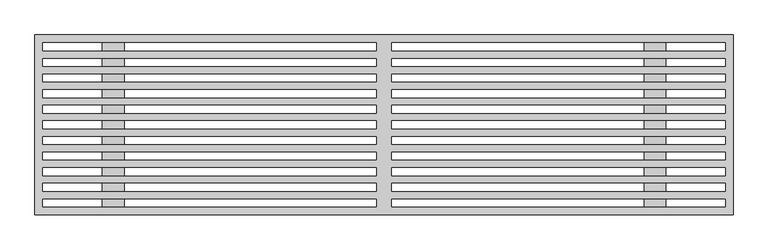
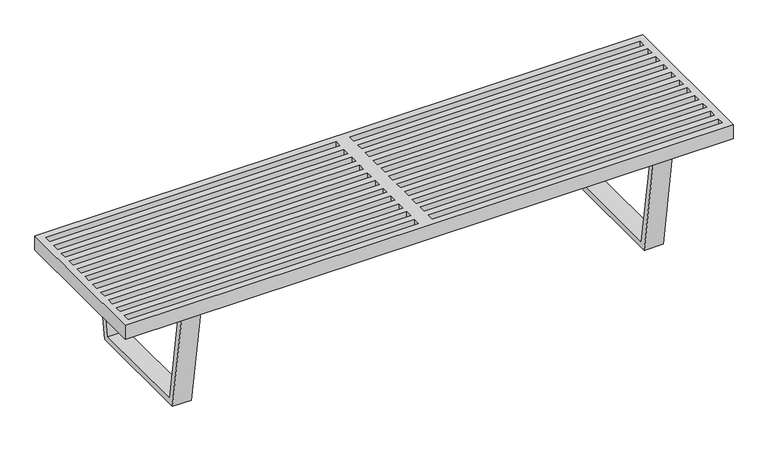
"""IFC4 building model written with IfcOpenShell, lengths in millimetres: furniture geometry."""

from ifc_helpers import new_model, si_unit, frame, origin, place, context, project, spatial, polyline, circle_curve, outline, extrude, source, transform, mapped, element, save
from ifc_brep_helpers import plane_surface, cylinder_surface, revolved_surface, advanced_brep


def furniture_f1015c76(model_context):
    return source(origin(), model_context, "Body", "SolidModel", [
        advanced_brep(
        [(709.6125, 127.2655571, 8.89), (699.5925629, 127.2655571, 8.89), (719.6324371, 127.2655571, 8.89), (719.6324371, 127.2655571, 0.0), (699.5925629, 127.2655571, 0.0), (709.6125, 127.2655571, 0.0), (721.4890461, 127.2655571, 2.998938), (697.7359539, 127.2655571, 2.998938), (721.4890461, 127.2655571, 5.5735617), (697.7359539, 127.2655571, 5.5735617), (719.6324371, 127.2655571, 6.9850002), (699.5925629, 127.2655571, 6.9850002)],
        [
            (0, 1),
            (1, 2, circle_curve(frame((709.6125, 127.2655571, 8.89), z_axis=(0.0, 0.0, 1.0), x_axis=(-1.0, 0.0, 0.0)), 10.0199371)),
            (2, 0),
            (2, 1, circle_curve(frame((709.6125, 127.2655571, 8.89), z_axis=(0.0, 0.0, 1.0), x_axis=(-1.0, 0.0, 0.0)), 10.0199371)),
            (3, 4, circle_curve(frame((709.6125, 127.2655571, 0.0), z_axis=(0.0, 0.0, -1.0), x_axis=(-1.0, 0.0, 0.0)), 10.0199371)),
            (4, 5),
            (5, 3),
            (4, 3, circle_curve(frame((709.6125, 127.2655571, 0.0), z_axis=(0.0, 0.0, -1.0), x_axis=(-1.0, 0.0, 0.0)), 10.0199371)),
            (6, 7, circle_curve(frame((709.6125, 127.2655571, 2.998938), z_axis=(0.0, 0.0, -1.0), x_axis=(-1.0, 0.0, 0.0)), 11.8765461)),
            (7, 4),
            (3, 6),
            (7, 6, circle_curve(frame((709.6125, 127.2655571, 2.998938), z_axis=(0.0, 0.0, -1.0), x_axis=(-1.0, 0.0, 0.0)), 11.8765461)),
            (8, 9, circle_curve(frame((709.6125, 127.2655571, 5.5735617), z_axis=(0.0, 0.0, -1.0), x_axis=(-1.0, 0.0, 0.0)), 11.8765461)),
            (9, 7),
            (6, 8),
            (9, 8, circle_curve(frame((709.6125, 127.2655571, 5.5735617), z_axis=(0.0, 0.0, -1.0), x_axis=(-1.0, 0.0, 0.0)), 11.8765461)),
            (10, 11, circle_curve(frame((709.6125, 127.2655571, 6.9850002), z_axis=(0.0, 0.0, -1.0), x_axis=(-1.0, 0.0, 0.0)), 10.0199371)),
            (11, 9),
            (8, 10),
            (11, 10, circle_curve(frame((709.6125, 127.2655571, 6.9850002), z_axis=(0.0, 0.0, -1.0), x_axis=(-1.0, 0.0, 0.0)), 10.0199371)),
            (1, 11),
            (10, 2),
        ],
        [
            plane_surface(frame((709.6125, 127.2655571, 8.89), z_axis=(0.0, 0.0, 1.0), x_axis=(-1.0, 0.0, 0.0))),
            plane_surface(frame((709.6125, 127.2655571, 0.0), z_axis=(0.0, 0.0, -1.0), x_axis=(-1.0, 0.0, 0.0))),
            revolved_surface(polyline([(699.5925629, 127.2655571, 0.0), (697.7359539, 127.2655571, 2.998938)]), (709.6125, 127.2655571, 8.8900188), (0.0, 0.0, 1.0)),
            cylinder_surface(frame((709.6125, 127.2655571, 8.8900188), z_axis=(0.0, 0.0, 1.0), x_axis=(-1.0, 0.0, 0.0)), 11.8765461),
            revolved_surface(polyline([(697.7359539, 127.2655571, 5.5735617), (699.5925629, 127.2655571, 6.9850002)]), (709.6125, 127.2655571, 8.8900188), (0.0, 0.0, 1.0)),
            cylinder_surface(frame((709.6125, 127.2655571, 8.8900188), z_axis=(0.0, 0.0, 1.0), x_axis=(-1.0, 0.0, 0.0)), 10.0199371),
        ],
        [
            (0, [[1, 2, 3]]),
            (0, [[-3, 4, -1]]),
            (1, [[5, 6, 7]]),
            (1, [[8, -7, -6]]),
            (2, [[9, 10, -5, 11]]),
            (2, [[12, -11, -8, -10]]),
            (3, [[13, 14, -9, 15]]),
            (3, [[16, -15, -12, -14]]),
            (4, [[17, 18, -13, 19]]),
            (4, [[20, -19, -16, -18]]),
            (5, [[-2, 21, -17, 22]]),
            (5, [[-4, -22, -20, -21]]),
        ],
    ),
        advanced_brep(
        [(709.6125, -126.734455, 8.89), (699.5925629, -126.734455, 8.89), (719.6324371, -126.734455, 8.89), (719.6324371, -126.734455, 0.0), (699.5925629, -126.734455, 0.0), (709.6125, -126.734455, 0.0), (721.4890461, -126.734455, 2.998938), (697.7359539, -126.734455, 2.998938), (721.4890461, -126.734455, 5.5735617), (697.7359539, -126.734455, 5.5735617), (719.6324371, -126.734455, 6.9850002), (699.5925629, -126.734455, 6.9850002)],
        [
            (0, 1),
            (1, 2, circle_curve(frame((709.6125, -126.734455, 8.89), z_axis=(0.0, 0.0, 1.0), x_axis=(-1.0, 0.0, 0.0)), 10.0199371)),
            (2, 0),
            (2, 1, circle_curve(frame((709.6125, -126.734455, 8.89), z_axis=(0.0, 0.0, 1.0), x_axis=(-1.0, 0.0, 0.0)), 10.0199371)),
            (3, 4, circle_curve(frame((709.6125, -126.734455, 0.0), z_axis=(0.0, 0.0, -1.0), x_axis=(-1.0, 0.0, 0.0)), 10.0199371)),
            (4, 5),
            (5, 3),
            (4, 3, circle_curve(frame((709.6125, -126.734455, 0.0), z_axis=(0.0, 0.0, -1.0), x_axis=(-1.0, 0.0, 0.0)), 10.0199371)),
            (6, 7, circle_curve(frame((709.6125, -126.734455, 2.998938), z_axis=(0.0, 0.0, -1.0), x_axis=(-1.0, 0.0, 0.0)), 11.8765461)),
            (7, 4),
            (3, 6),
            (7, 6, circle_curve(frame((709.6125, -126.734455, 2.998938), z_axis=(0.0, 0.0, -1.0), x_axis=(-1.0, 0.0, 0.0)), 11.8765461)),
            (8, 9, circle_curve(frame((709.6125, -126.734455, 5.5735617), z_axis=(0.0, 0.0, -1.0), x_axis=(-1.0, 0.0, 0.0)), 11.8765461)),
            (9, 7),
            (6, 8),
            (9, 8, circle_curve(frame((709.6125, -126.734455, 5.5735617), z_axis=(0.0, 0.0, -1.0), x_axis=(-1.0, 0.0, 0.0)), 11.8765461)),
            (10, 11, circle_curve(frame((709.6125, -126.734455, 6.9850002), z_axis=(0.0, 0.0, -1.0), x_axis=(-1.0, 0.0, 0.0)), 10.0199371)),
            (11, 9),
            (8, 10),
            (11, 10, circle_curve(frame((709.6125, -126.734455, 6.9850002), z_axis=(0.0, 0.0, -1.0), x_axis=(-1.0, 0.0, 0.0)), 10.0199371)),
            (1, 11),
            (10, 2),
        ],
        [
            plane_surface(frame((709.6125, -126.734455, 8.89), z_axis=(0.0, 0.0, 1.0), x_axis=(-1.0, 0.0, 0.0))),
            plane_surface(frame((709.6125, -126.734455, 0.0), z_axis=(0.0, 0.0, -1.0), x_axis=(-1.0, 0.0, 0.0))),
            revolved_surface(polyline([(699.5925629, -126.734455, 0.0), (697.7359539, -126.734455, 2.998938)]), (709.6125, -126.734455, 8.8900188), (0.0, 0.0, 1.0)),
            cylinder_surface(frame((709.6125, -126.734455, 8.8900188), z_axis=(0.0, 0.0, 1.0), x_axis=(-1.0, 0.0, 0.0)), 11.8765461),
            revolved_surface(polyline([(697.7359539, -126.734455, 5.5735617), (699.5925629, -126.734455, 6.9850002)]), (709.6125, -126.734455, 8.8900188), (0.0, 0.0, 1.0)),
            cylinder_surface(frame((709.6125, -126.734455, 8.8900188), z_axis=(0.0, 0.0, 1.0), x_axis=(-1.0, 0.0, 0.0)), 10.0199371),
        ],
        [
            (0, [[1, 2, 3]]),
            (0, [[-3, 4, -1]]),
            (1, [[5, 6, 7]]),
            (1, [[8, -7, -6]]),
            (2, [[9, 10, -5, 11]]),
            (2, [[12, -11, -8, -10]]),
            (3, [[13, 14, -9, 15]]),
            (3, [[16, -15, -12, -14]]),
            (4, [[17, 18, -13, 19]]),
            (4, [[20, -19, -16, -18]]),
            (5, [[-2, 21, -17, 22]]),
            (5, [[-4, -22, -20, -21]]),
        ],
    ),
        advanced_brep(
        [(709.6125, 127.2655571, 8.89), (699.5925629, 127.2655571, 8.89), (719.6324371, 127.2655571, 8.89), (719.6324371, 127.2655571, 0.0), (699.5925629, 127.2655571, 0.0), (709.6125, 127.2655571, 0.0), (721.4890461, 127.2655571, 2.998938), (697.7359539, 127.2655571, 2.998938), (721.4890461, 127.2655571, 5.5735617), (697.7359539, 127.2655571, 5.5735617), (719.6324371, 127.2655571, 6.9850002), (699.5925629, 127.2655571, 6.9850002)],
        [
            (0, 1),
            (1, 2, circle_curve(frame((709.6125, 127.2655571, 8.89), z_axis=(0.0, 0.0, 1.0), x_axis=(-1.0, 0.0, 0.0)), 10.0199371)),
            (2, 0),
            (2, 1, circle_curve(frame((709.6125, 127.2655571, 8.89), z_axis=(0.0, 0.0, 1.0), x_axis=(-1.0, 0.0, 0.0)), 10.0199371)),
            (3, 4, circle_curve(frame((709.6125, 127.2655571, 0.0), z_axis=(0.0, 0.0, -1.0), x_axis=(-1.0, 0.0, 0.0)), 10.0199371)),
            (4, 5),
            (5, 3),
            (4, 3, circle_curve(frame((709.6125, 127.2655571, 0.0), z_axis=(0.0, 0.0, -1.0), x_axis=(-1.0, 0.0, 0.0)), 10.0199371)),
            (6, 7, circle_curve(frame((709.6125, 127.2655571, 2.998938), z_axis=(0.0, 0.0, -1.0), x_axis=(-1.0, 0.0, 0.0)), 11.8765461)),
            (7, 4),
            (3, 6),
            (7, 6, circle_curve(frame((709.6125, 127.2655571, 2.998938), z_axis=(0.0, 0.0, -1.0), x_axis=(-1.0, 0.0, 0.0)), 11.8765461)),
            (8, 9, circle_curve(frame((709.6125, 127.2655571, 5.5735617), z_axis=(0.0, 0.0, -1.0), x_axis=(-1.0, 0.0, 0.0)), 11.8765461)),
            (9, 7),
            (6, 8),
            (9, 8, circle_curve(frame((709.6125, 127.2655571, 5.5735617), z_axis=(0.0, 0.0, -1.0), x_axis=(-1.0, 0.0, 0.0)), 11.8765461)),
            (10, 11, circle_curve(frame((709.6125, 127.2655571, 6.9850002), z_axis=(0.0, 0.0, -1.0), x_axis=(-1.0, 0.0, 0.0)), 10.0199371)),
            (11, 9),
            (8, 10),
            (11, 10, circle_curve(frame((709.6125, 127.2655571, 6.9850002), z_axis=(0.0, 0.0, -1.0), x_axis=(-1.0, 0.0, 0.0)), 10.0199371)),
            (1, 11),
            (10, 2),
        ],
        [
            plane_surface(frame((709.6125, 127.2655571, 8.89), z_axis=(0.0, 0.0, 1.0), x_axis=(-1.0, 0.0, 0.0))),
            plane_surface(frame((709.6125, 127.2655571, 0.0), z_axis=(0.0, 0.0, -1.0), x_axis=(-1.0, 0.0, 0.0))),
            revolved_surface(polyline([(699.5925629, 127.2655571, 0.0), (697.7359539, 127.2655571, 2.998938)]), (709.6125, 127.2655571, 8.8900188), (0.0, 0.0, 1.0)),
            cylinder_surface(frame((709.6125, 127.2655571, 8.8900188), z_axis=(0.0, 0.0, 1.0), x_axis=(-1.0, 0.0, 0.0)), 11.8765461),
            revolved_surface(polyline([(697.7359539, 127.2655571, 5.5735617), (699.5925629, 127.2655571, 6.9850002)]), (709.6125, 127.2655571, 8.8900188), (0.0, 0.0, 1.0)),
            cylinder_surface(frame((709.6125, 127.2655571, 8.8900188), z_axis=(0.0, 0.0, 1.0), x_axis=(-1.0, 0.0, 0.0)), 10.0199371),
        ],
        [
            (0, [[1, 2, 3]]),
            (0, [[-3, 4, -1]]),
            (1, [[5, 6, 7]]),
            (1, [[8, -7, -6]]),
            (2, [[9, 10, -5, 11]]),
            (2, [[12, -11, -8, -10]]),
            (3, [[13, 14, -9, 15]]),
            (3, [[16, -15, -12, -14]]),
            (4, [[17, 18, -13, 19]]),
            (4, [[20, -19, -16, -18]]),
            (5, [[-2, 21, -17, 22]]),
            (5, [[-4, -22, -20, -21]]),
        ],
    ),
        advanced_brep(
        [(709.6125, -126.734455, 8.89), (699.5925629, -126.734455, 8.89), (719.6324371, -126.734455, 8.89), (719.6324371, -126.734455, 0.0), (699.5925629, -126.734455, 0.0), (709.6125, -126.734455, 0.0), (721.4890461, -126.734455, 2.998938), (697.7359539, -126.734455, 2.998938), (721.4890461, -126.734455, 5.5735617), (697.7359539, -126.734455, 5.5735617), (719.6324371, -126.734455, 6.9850002), (699.5925629, -126.734455, 6.9850002)],
        [
            (0, 1),
            (1, 2, circle_curve(frame((709.6125, -126.734455, 8.89), z_axis=(0.0, 0.0, 1.0), x_axis=(-1.0, 0.0, 0.0)), 10.0199371)),
            (2, 0),
            (2, 1, circle_curve(frame((709.6125, -126.734455, 8.89), z_axis=(0.0, 0.0, 1.0), x_axis=(-1.0, 0.0, 0.0)), 10.0199371)),
            (3, 4, circle_curve(frame((709.6125, -126.734455, 0.0), z_axis=(0.0, 0.0, -1.0), x_axis=(-1.0, 0.0, 0.0)), 10.0199371)),
            (4, 5),
            (5, 3),
            (4, 3, circle_curve(frame((709.6125, -126.734455, 0.0), z_axis=(0.0, 0.0, -1.0), x_axis=(-1.0, 0.0, 0.0)), 10.0199371)),
            (6, 7, circle_curve(frame((709.6125, -126.734455, 2.998938), z_axis=(0.0, 0.0, -1.0), x_axis=(-1.0, 0.0, 0.0)), 11.8765461)),
            (7, 4),
            (3, 6),
            (7, 6, circle_curve(frame((709.6125, -126.734455, 2.998938), z_axis=(0.0, 0.0, -1.0), x_axis=(-1.0, 0.0, 0.0)), 11.8765461)),
            (8, 9, circle_curve(frame((709.6125, -126.734455, 5.5735617), z_axis=(0.0, 0.0, -1.0), x_axis=(-1.0, 0.0, 0.0)), 11.8765461)),
            (9, 7),
            (6, 8),
            (9, 8, circle_curve(frame((709.6125, -126.734455, 5.5735617), z_axis=(0.0, 0.0, -1.0), x_axis=(-1.0, 0.0, 0.0)), 11.8765461)),
            (10, 11, circle_curve(frame((709.6125, -126.734455, 6.9850002), z_axis=(0.0, 0.0, -1.0), x_axis=(-1.0, 0.0, 0.0)), 10.0199371)),
            (11, 9),
            (8, 10),
            (11, 10, circle_curve(frame((709.6125, -126.734455, 6.9850002), z_axis=(0.0, 0.0, -1.0), x_axis=(-1.0, 0.0, 0.0)), 10.0199371)),
            (1, 11),
            (10, 2),
        ],
        [
            plane_surface(frame((709.6125, -126.734455, 8.89), z_axis=(0.0, 0.0, 1.0), x_axis=(-1.0, 0.0, 0.0))),
            plane_surface(frame((709.6125, -126.734455, 0.0), z_axis=(0.0, 0.0, -1.0), x_axis=(-1.0, 0.0, 0.0))),
            revolved_surface(polyline([(699.5925629, -126.734455, 0.0), (697.7359539, -126.734455, 2.998938)]), (709.6125, -126.734455, 8.8900188), (0.0, 0.0, 1.0)),
            cylinder_surface(frame((709.6125, -126.734455, 8.8900188), z_axis=(0.0, 0.0, 1.0), x_axis=(-1.0, 0.0, 0.0)), 11.8765461),
            revolved_surface(polyline([(697.7359539, -126.734455, 5.5735617), (699.5925629, -126.734455, 6.9850002)]), (709.6125, -126.734455, 8.8900188), (0.0, 0.0, 1.0)),
            cylinder_surface(frame((709.6125, -126.734455, 8.8900188), z_axis=(0.0, 0.0, 1.0), x_axis=(-1.0, 0.0, 0.0)), 10.0199371),
        ],
        [
            (0, [[1, 2, 3]]),
            (0, [[-3, 4, -1]]),
            (1, [[5, 6, 7]]),
            (1, [[8, -7, -6]]),
            (2, [[9, 10, -5, 11]]),
            (2, [[12, -11, -8, -10]]),
            (3, [[13, 14, -9, 15]]),
            (3, [[16, -15, -12, -14]]),
            (4, [[17, 18, -13, 19]]),
            (4, [[20, -19, -16, -18]]),
            (5, [[-2, 21, -17, 22]]),
            (5, [[-4, -22, -20, -21]]),
        ],
    ),
        advanced_brep(
        [(-719.6324371, 127.2655571, 8.89), (-699.5925629, 127.2655571, 8.89), (-709.6125, 127.2655571, 8.89), (-709.6125, 127.2655571, 0.0), (-699.5925629, 127.2655571, 0.0), (-719.6324371, 127.2655571, 0.0), (-697.7359539, 127.2655571, 2.998938), (-721.4890461, 127.2655571, 2.998938), (-697.7359539, 127.2655571, 5.5735617), (-721.4890461, 127.2655571, 5.5735617), (-699.5925629, 127.2655571, 6.9850002), (-719.6324371, 127.2655571, 6.9850002)],
        [
            (0, 1, circle_curve(frame((-709.6125, 127.2655571, 8.89), z_axis=(0.0, 0.0, 1.0), x_axis=(1.0, 0.0, 0.0)), 10.0199371)),
            (1, 2),
            (2, 0),
            (1, 0, circle_curve(frame((-709.6125, 127.2655571, 8.89), z_axis=(0.0, 0.0, 1.0), x_axis=(1.0, 0.0, 0.0)), 10.0199371)),
            (3, 4),
            (4, 5, circle_curve(frame((-709.6125, 127.2655571, 0.0), z_axis=(0.0, 0.0, -1.0), x_axis=(1.0, 0.0, 0.0)), 10.0199371)),
            (5, 3),
            (5, 4, circle_curve(frame((-709.6125, 127.2655571, 0.0), z_axis=(0.0, 0.0, -1.0), x_axis=(1.0, 0.0, 0.0)), 10.0199371)),
            (4, 6),
            (6, 7, circle_curve(frame((-709.6125, 127.2655571, 2.998938), z_axis=(0.0, 0.0, -1.0), x_axis=(1.0, 0.0, 0.0)), 11.8765461)),
            (7, 5),
            (7, 6, circle_curve(frame((-709.6125, 127.2655571, 2.998938), z_axis=(0.0, 0.0, -1.0), x_axis=(1.0, 0.0, 0.0)), 11.8765461)),
            (6, 8),
            (8, 9, circle_curve(frame((-709.6125, 127.2655571, 5.5735617), z_axis=(0.0, 0.0, -1.0), x_axis=(1.0, 0.0, 0.0)), 11.8765461)),
            (9, 7),
            (9, 8, circle_curve(frame((-709.6125, 127.2655571, 5.5735617), z_axis=(0.0, 0.0, -1.0), x_axis=(1.0, 0.0, 0.0)), 11.8765461)),
            (8, 10),
            (10, 11, circle_curve(frame((-709.6125, 127.2655571, 6.9850002), z_axis=(0.0, 0.0, -1.0), x_axis=(1.0, 0.0, 0.0)), 10.0199371)),
            (11, 9),
            (11, 10, circle_curve(frame((-709.6125, 127.2655571, 6.9850002), z_axis=(0.0, 0.0, -1.0), x_axis=(1.0, 0.0, 0.0)), 10.0199371)),
            (10, 1),
            (0, 11),
        ],
        [
            plane_surface(frame((-709.6125, 127.2655571, 8.89), z_axis=(0.0, 0.0, 1.0), x_axis=(1.0, 0.0, 0.0))),
            plane_surface(frame((-709.6125, 127.2655571, 0.0), z_axis=(0.0, 0.0, -1.0), x_axis=(1.0, 0.0, 0.0))),
            revolved_surface(polyline([(-697.7359539, 127.2655571, 2.998938), (-699.5925629, 127.2655571, 0.0)]), (-709.6125, 127.2655571, 8.8900188), (0.0, 0.0, -1.0)),
            cylinder_surface(frame((-709.6125, 127.2655571, 8.8900188), z_axis=(0.0, 0.0, -1.0), x_axis=(1.0, 0.0, 0.0)), 11.8765461),
            revolved_surface(polyline([(-699.5925629, 127.2655571, 6.9850002), (-697.7359539, 127.2655571, 5.5735617)]), (-709.6125, 127.2655571, 8.8900188), (0.0, 0.0, -1.0)),
            cylinder_surface(frame((-709.6125, 127.2655571, 8.8900188), z_axis=(0.0, 0.0, -1.0), x_axis=(1.0, 0.0, 0.0)), 10.0199371),
        ],
        [
            (0, [[1, 2, 3]]),
            (0, [[4, -3, -2]]),
            (1, [[5, 6, 7]]),
            (1, [[-7, 8, -5]]),
            (2, [[-6, 9, 10, 11]]),
            (2, [[-8, -11, 12, -9]]),
            (3, [[-10, 13, 14, 15]]),
            (3, [[-12, -15, 16, -13]]),
            (4, [[-14, 17, 18, 19]]),
            (4, [[-16, -19, 20, -17]]),
            (5, [[-18, 21, -1, 22]]),
            (5, [[-20, -22, -4, -21]]),
        ],
    ),
        advanced_brep(
        [(-719.6324371, -126.734455, 8.89), (-699.5925629, -126.734455, 8.89), (-709.6125, -126.734455, 8.89), (-709.6125, -126.734455, 0.0), (-699.5925629, -126.734455, 0.0), (-719.6324371, -126.734455, 0.0), (-697.7359539, -126.734455, 2.998938), (-721.4890461, -126.734455, 2.998938), (-697.7359539, -126.734455, 5.5735617), (-721.4890461, -126.734455, 5.5735617), (-699.5925629, -126.734455, 6.9850002), (-719.6324371, -126.734455, 6.9850002)],
        [
            (0, 1, circle_curve(frame((-709.6125, -126.734455, 8.89), z_axis=(0.0, 0.0, 1.0), x_axis=(1.0, 0.0, 0.0)), 10.0199371)),
            (1, 2),
            (2, 0),
            (1, 0, circle_curve(frame((-709.6125, -126.734455, 8.89), z_axis=(0.0, 0.0, 1.0), x_axis=(1.0, 0.0, 0.0)), 10.0199371)),
            (3, 4),
            (4, 5, circle_curve(frame((-709.6125, -126.734455, 0.0), z_axis=(0.0, 0.0, -1.0), x_axis=(1.0, 0.0, 0.0)), 10.0199371)),
            (5, 3),
            (5, 4, circle_curve(frame((-709.6125, -126.734455, 0.0), z_axis=(0.0, 0.0, -1.0), x_axis=(1.0, 0.0, 0.0)), 10.0199371)),
            (4, 6),
            (6, 7, circle_curve(frame((-709.6125, -126.734455, 2.998938), z_axis=(0.0, 0.0, -1.0), x_axis=(1.0, 0.0, 0.0)), 11.8765461)),
            (7, 5),
            (7, 6, circle_curve(frame((-709.6125, -126.734455, 2.998938), z_axis=(0.0, 0.0, -1.0), x_axis=(1.0, 0.0, 0.0)), 11.8765461)),
            (6, 8),
            (8, 9, circle_curve(frame((-709.6125, -126.734455, 5.5735617), z_axis=(0.0, 0.0, -1.0), x_axis=(1.0, 0.0, 0.0)), 11.8765461)),
            (9, 7),
            (9, 8, circle_curve(frame((-709.6125, -126.734455, 5.5735617), z_axis=(0.0, 0.0, -1.0), x_axis=(1.0, 0.0, 0.0)), 11.8765461)),
            (8, 10),
            (10, 11, circle_curve(frame((-709.6125, -126.734455, 6.9850002), z_axis=(0.0, 0.0, -1.0), x_axis=(1.0, 0.0, 0.0)), 10.0199371)),
            (11, 9),
            (11, 10, circle_curve(frame((-709.6125, -126.734455, 6.9850002), z_axis=(0.0, 0.0, -1.0), x_axis=(1.0, 0.0, 0.0)), 10.0199371)),
            (10, 1),
            (0, 11),
        ],
        [
            plane_surface(frame((-709.6125, -126.734455, 8.89), z_axis=(0.0, 0.0, 1.0), x_axis=(1.0, 0.0, 0.0))),
            plane_surface(frame((-709.6125, -126.734455, 0.0), z_axis=(0.0, 0.0, -1.0), x_axis=(1.0, 0.0, 0.0))),
            revolved_surface(polyline([(-697.7359539, -126.734455, 2.998938), (-699.5925629, -126.734455, 0.0)]), (-709.6125, -126.734455, 8.8900188), (0.0, 0.0, -1.0)),
            cylinder_surface(frame((-709.6125, -126.734455, 8.8900188), z_axis=(0.0, 0.0, -1.0), x_axis=(1.0, 0.0, 0.0)), 11.8765461),
            revolved_surface(polyline([(-699.5925629, -126.734455, 6.9850002), (-697.7359539, -126.734455, 5.5735617)]), (-709.6125, -126.734455, 8.8900188), (0.0, 0.0, -1.0)),
            cylinder_surface(frame((-709.6125, -126.734455, 8.8900188), z_axis=(0.0, 0.0, -1.0), x_axis=(1.0, 0.0, 0.0)), 10.0199371),
        ],
        [
            (0, [[1, 2, 3]]),
            (0, [[4, -3, -2]]),
            (1, [[5, 6, 7]]),
            (1, [[-7, 8, -5]]),
            (2, [[-6, 9, 10, 11]]),
            (2, [[-8, -11, 12, -9]]),
            (3, [[-10, 13, 14, 15]]),
            (3, [[-12, -15, 16, -13]]),
            (4, [[-14, 17, 18, 19]]),
            (4, [[-16, -19, 20, -17]]),
            (5, [[-18, 21, -1, 22]]),
            (5, [[-20, -22, -4, -21]]),
        ],
    ),
        extrude(outline(polyline([(176.1021668, 8.8900188), (-175.5710421, 8.8900188), (-224.4143502, 320.0399855), (224.9454776, 320.0399855), (176.1021668, 8.8900188)]), holes=[polyline([(202.6718079, 300.9900036), (-202.1406807, 300.9900036), (-159.2781807, 27.9400006), (159.8093056, 27.9400006), (202.6718079, 300.9900036)])]), frame((681.0375, 0.0, 0.0), z_axis=(1.0, 0.0, 0.0), x_axis=(0.0, 1.0, 0.0)), (0.0, 0.0, 1.0), 57.15),
        extrude(outline(polyline([(176.1021668, 8.8900188), (-175.5710421, 8.8900188), (-224.4143502, 320.0399855), (224.9454776, 320.0399855), (176.1021668, 8.8900188)]), holes=[polyline([(202.6718079, 300.9900036), (-202.1406807, 300.9900036), (-159.2781807, 27.9400006), (159.8093056, 27.9400006), (202.6718079, 300.9900036)])]), frame((-738.1875, 0.0, 0.0), z_axis=(1.0, 0.0, 0.0), x_axis=(0.0, 1.0, 0.0)), (0.0, 0.0, 1.0), 57.15),
        extrude(outline(polyline([(914.4, 235.3437), (914.4, -235.3436166), (-914.4, -235.3436166), (-914.4, 235.3437), (914.4, 235.3437)]), holes=[polyline([(-20.637506, 214.1613029), (-893.8768098, 214.1613029), (-893.8768098, 193.819728), (-20.637506, 193.819728), (-20.637506, 214.1613029)]), polyline([(20.637506, 193.819728), (893.8768098, 193.819728), (893.8768098, 214.1613029), (20.637506, 214.1613029), (20.637506, 193.819728)]), polyline([(-893.8768098, 152.9561544), (-20.637506, 152.9561544), (-20.637506, 173.2977293), (-893.8768098, 173.2977293), (-893.8768098, 152.9561544)]), polyline([(-893.8768098, 112.0924423), (-20.637506, 112.0924423), (-20.637506, 132.4340172), (-893.8768098, 132.4340172), (-893.8768098, 112.0924423)]), polyline([(-893.8768098, 71.2288573), (-20.637506, 71.2288573), (-20.637506, 91.5704323), (-893.8768098, 91.5704323), (-893.8768098, 71.2288573)]), polyline([(-893.8768098, 30.3652633), (-20.637506, 30.3652633), (-20.637506, 50.7068382), (-893.8768098, 50.7068382), (-893.8768098, 30.3652633)]), polyline([(-893.8768098, -10.4984307), (-20.637506, -10.4984307), (-20.637506, 9.8431443), (-893.8768098, 9.8431443), (-893.8768098, -10.4984307)]), polyline([(-893.8768098, -51.3620156), (-20.637506, -51.3620156), (-20.637506, -31.0204407), (-893.8768098, -31.0204407), (-893.8768098, -51.3620156)]), polyline([(-893.8768098, -92.2257459), (-20.637506, -92.2257459), (-20.637506, -71.884171), (-893.8768098, -71.884171), (-893.8768098, -92.2257459)]), polyline([(-893.8768098, -133.0893127), (-20.637506, -133.0893127), (-20.637506, -112.7477377), (-893.8768098, -112.7477377), (-893.8768098, -133.0893127)]), polyline([(-893.8768098, -173.9528795), (-20.637506, -173.9528795), (-20.637506, -153.6113045), (-893.8768098, -153.6113045), (-893.8768098, -173.9528795)]), polyline([(-893.8768098, -214.8165916), (-20.637506, -214.8165916), (-20.637506, -194.4750166), (-893.8768098, -194.4750166), (-893.8768098, -214.8165916)]), polyline([(893.8768098, 152.9561544), (893.8768098, 173.2977293), (20.637506, 173.2977293), (20.637506, 152.9561544), (893.8768098, 152.9561544)]), polyline([(893.8768098, 112.0924423), (893.8768098, 132.4340172), (20.637506, 132.4340172), (20.637506, 112.0924423), (893.8768098, 112.0924423)]), polyline([(893.8768098, 71.2288573), (893.8768098, 91.5704323), (20.637506, 91.5704323), (20.637506, 71.2288573), (893.8768098, 71.2288573)]), polyline([(893.8768098, 30.3652633), (893.8768098, 50.7068382), (20.637506, 50.7068382), (20.637506, 30.3652633), (893.8768098, 30.3652633)]), polyline([(893.8768098, -10.4984307), (893.8768098, 9.8431443), (20.637506, 9.8431443), (20.637506, -10.4984307), (893.8768098, -10.4984307)]), polyline([(893.8768098, -51.3620156), (893.8768098, -31.0204407), (20.637506, -31.0204407), (20.637506, -51.3620156), (893.8768098, -51.3620156)]), polyline([(893.8768098, -92.2257459), (893.8768098, -71.884171), (20.637506, -71.884171), (20.637506, -92.2257459), (893.8768098, -92.2257459)]), polyline([(893.8768098, -133.0893127), (893.8768098, -112.7477377), (20.637506, -112.7477377), (20.637506, -133.0893127), (893.8768098, -133.0893127)]), polyline([(893.8768098, -173.9528795), (893.8768098, -153.6113045), (20.637506, -153.6113045), (20.637506, -173.9528795), (893.8768098, -173.9528795)]), polyline([(893.8768098, -214.8165916), (893.8768098, -194.4750166), (20.637506, -194.4750166), (20.637506, -214.8165916), (893.8768098, -214.8165916)])]), frame((0.0, 0.0, 320.0399855), z_axis=(0.0, 0.0, 1.0), x_axis=(1.0, 0.0, 0.0)), (0.0, 0.0, 1.0), 44.4500121),
    ])


if __name__ == "__main__":
    model = new_model("IFC4")
    model_context = context("Model", 3, world=origin())
    ifc_project = project(units=[si_unit("LENGTHUNIT", "METRE", prefix="MILLI")], contexts=[model_context])
    site = spatial("IfcSite", under=ifc_project)
    building = spatial("IfcBuilding", under=site)
    placement = place(None, origin())
    furniture_shape = furniture_f1015c76(model_context)
    element("IfcFurniture", 1, at=placement, inside=building, context=model_context, shape_type="MappedRepresentation", body=[
        mapped(furniture_shape, transform((0.0, 0.0, 0.0), x_axis=(1.0, 0.0, 0.0), y_axis=(0.0, 1.0, 0.0), z_axis=(0.0, 0.0, 1.0))),
    ])
    save(model, "model.ifc")
